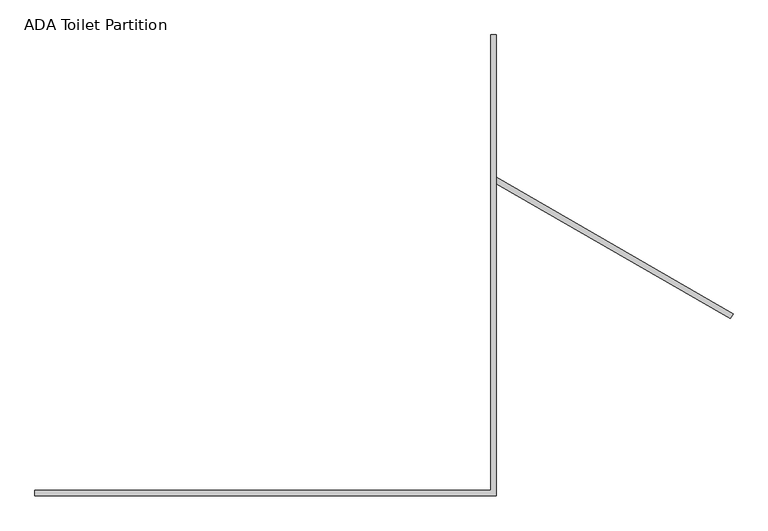
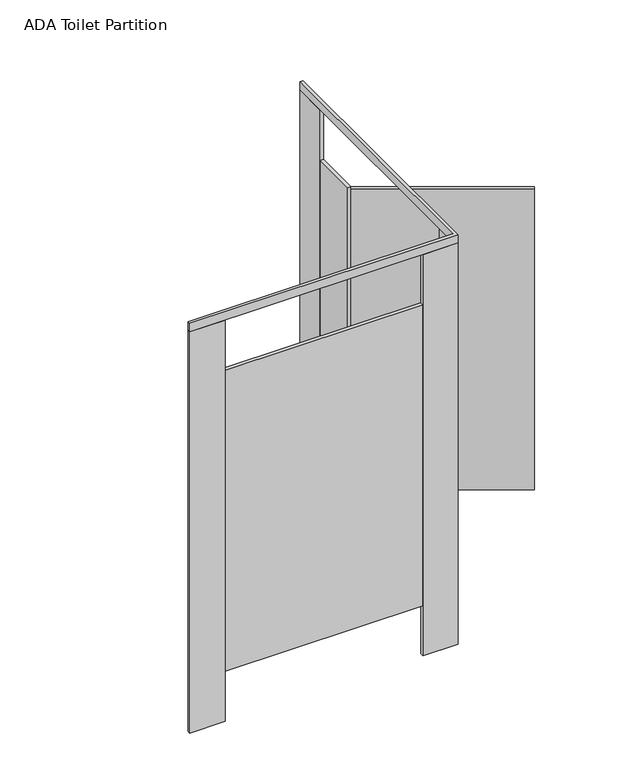
"""IFC4 building model written with IfcOpenShell, lengths in millimetres: proxy geometry, ADA Toilet Partition."""

from ifc_helpers import new_model, si_unit, frame, origin, origin_with_axes, place, context, project, spatial, polyline, outline, extrude, source, transform, mapped, element, save


def ada_toilet_partition_b666a731(model_context):
    return source(origin(), model_context, "Body", "SweptSolid", [
        extrude(outline(polyline([(2325.4186292, -949.9477839), (1533.525, -492.7477839), (1543.05, -476.25), (2334.9436292, -933.45), (2325.4186292, -949.9477839)])), frame((0.0, 0.0, 304.8), z_axis=(0.0, 0.0, 1.0), x_axis=(1.0, 0.0, 0.0)), (0.0, 0.0, 1.0), 1828.8),
        extrude(outline(polyline([(1524.0, -1524.0), (1524.0, 0.0), (1543.05, 0.0), (1543.05, -1543.05), (0.0, -1543.05), (0.0, -1524.0), (1524.0, -1524.0)])), frame((0.0, 0.0, 2438.4), z_axis=(0.0, 0.0, 1.0), x_axis=(1.0, 0.0, 0.0)), (0.0, 0.0, 1.0), 50.8),
        extrude(outline(polyline([(1543.05, -1543.05), (1339.85, -1543.05), (1339.85, -1524.0), (1524.0, -1524.0), (1524.0, -1390.65), (1543.05, -1390.65), (1543.05, -1543.05)])), origin_with_axes(), (0.0, 0.0, 1.0), 2438.4),
        extrude(outline(polyline([(203.2, -1543.05), (0.0, -1543.05), (0.0, -1524.0), (203.2, -1524.0), (203.2, -1543.05)])), origin_with_axes(), (0.0, 0.0, 1.0), 2438.4),
        extrude(outline(polyline([(1524.0, -203.2), (1524.0, 0.0), (1543.05, 0.0), (1543.05, -203.2), (1524.0, -203.2)])), origin_with_axes(), (0.0, 0.0, 1.0), 2438.4),
        extrude(outline(polyline([(203.2, -1543.05), (203.2, -1524.0), (1339.85, -1524.0), (1339.85, -1543.05), (203.2, -1543.05)])), frame((0.0, 0.0, 304.8), z_axis=(0.0, 0.0, 1.0), x_axis=(1.0, 0.0, 0.0)), (0.0, 0.0, 1.0), 1828.8),
        extrude(outline(polyline([(1524.0, -203.2), (1543.05, -203.2), (1543.05, -476.25), (1524.0, -476.25), (1524.0, -203.2)])), frame((0.0, 0.0, 304.8), z_axis=(0.0, 0.0, 1.0), x_axis=(1.0, 0.0, 0.0)), (0.0, 0.0, 1.0), 1828.8),
    ])


if __name__ == "__main__":
    model = new_model("IFC4")
    model_context = context("Model", 3, world=origin())
    ifc_project = project(units=[si_unit("LENGTHUNIT", "METRE", prefix="MILLI")], contexts=[model_context])
    site = spatial("IfcSite", under=ifc_project)
    building = spatial("IfcBuilding", under=site)
    placement = place(None, origin())
    ada_toilet_partition_shape = ada_toilet_partition_b666a731(model_context)
    element("IfcBuildingElementProxy", 1, Name="ADA Toilet Partition", ObjectType="ADA Toilet Partition", at=placement, inside=building, context=model_context, shape_type="MappedRepresentation", body=[
        mapped(ada_toilet_partition_shape, transform((0.0, 0.0, 0.0), x_axis=(1.0, 0.0, 0.0), y_axis=(0.0, 1.0, 0.0), z_axis=(0.0, 0.0, 1.0))),
    ])
    save(model, "model.ifc")
